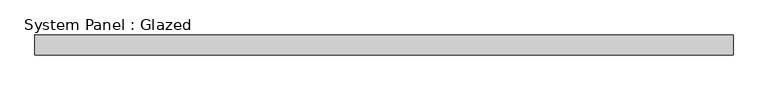
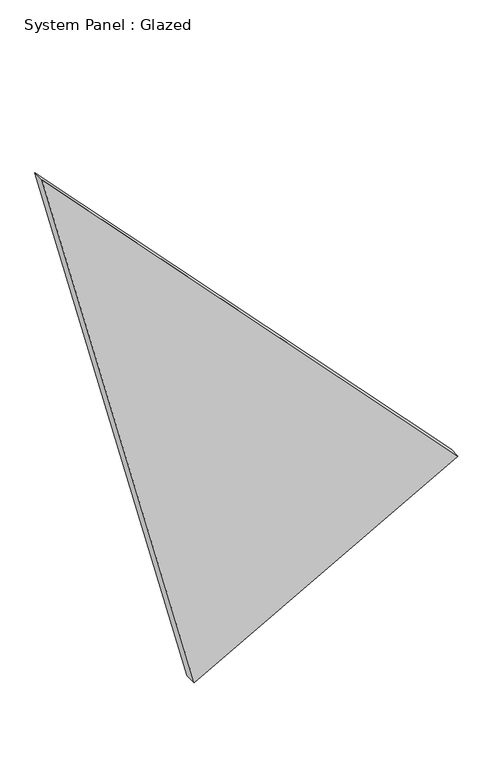
"""IFC4 building model written with IfcOpenShell, lengths in millimetres: plate geometry, System Panel : Glazed."""

from ifc_helpers import new_model, si_unit, frame, origin, place, context, project, spatial, polyline, outline, extrude, source, transform, mapped, element, save


def system_panel_glazed_332354a3(model_context):
    return source(origin(), model_context, "Body", "SweptSolid", [
        extrude(outline(polyline([(0.0, -139.5297358), (367.4424526, 520.9325764), (1462.8533232, -520.9325764), (0.0, -139.5297358)])), frame((0.0, -36.8101563, 0.0), z_axis=(0.0, 1.0, 0.0), x_axis=(0.0, 0.0, 1.0)), (0.0, 0.0, 1.0), 30.1625),
    ])


if __name__ == "__main__":
    model = new_model("IFC4")
    model_context = context("Model", 3, world=origin())
    ifc_project = project(units=[si_unit("LENGTHUNIT", "METRE", prefix="MILLI")], contexts=[model_context])
    site = spatial("IfcSite", under=ifc_project)
    building = spatial("IfcBuilding", under=site)
    placement = place(None, origin())
    system_panel_glazed_shape = system_panel_glazed_332354a3(model_context)
    element("IfcPlate", 1, ObjectType="System Panel : Glazed", at=placement, inside=building, context=model_context, shape_type="MappedRepresentation", body=[
        mapped(system_panel_glazed_shape, transform((0.0, 0.0, 0.0), x_axis=(1.0, 0.0, 0.0), y_axis=(0.0, 1.0, 0.0), z_axis=(0.0, 0.0, 1.0))),
    ])
    save(model, "model.ifc")
